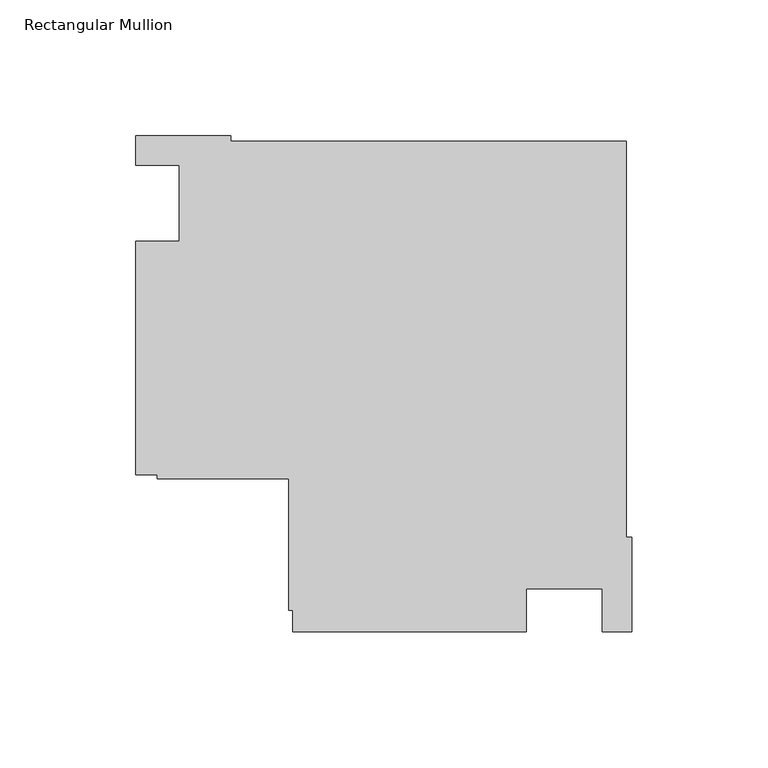
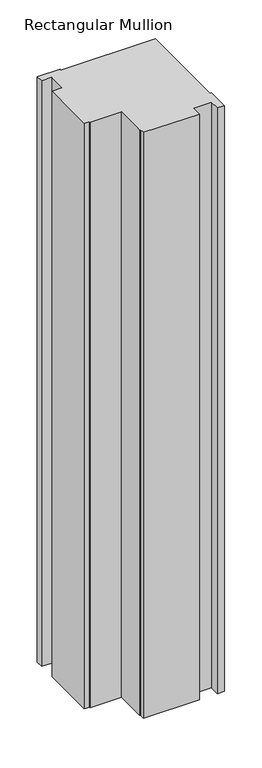
"""IFC4 building model written with IfcOpenShell, lengths in millimetres: member geometry, Rectangular Mullion."""

from ifc_helpers import new_model, si_unit, frame, origin, place, context, project, spatial, polyline, outline, extrude, source, transform, mapped, element, save


def rectangular_mullion_0d618c62(model_context):
    return source(origin(), model_context, "Body", "SweptSolid", [
        extrude(outline(polyline([(-182.9999976, -14.0008907), (-166.9999976, -14.0008907), (-166.9999976, 14.0027335), (-183.0085199, 14.0027335), (-183.0085199, 24.9989975), (-147.9999713, 24.9989975), (-147.9999713, 22.9137834), (-2.0852141, 22.9137834), (-2.0852141, -122.9999738), (0.0, -122.9999738), (0.0, -158.0000001), (-10.9999975, -158.0000001), (-10.9999975, -142.0010001), (-38.9998882, -142.0010001), (-38.9998882, -158.0000001), (-125.0, -158.0000001), (-125.0, -150.0000025), (-126.6, -150.0000025), (-126.6, -101.6000025), (-175.0, -101.6000025), (-175.0, -100.0010025), (-182.9999976, -100.0010025), (-182.9999976, -14.0008907)])), frame((0.0, 0.0, -953.6595328), z_axis=(0.0, 0.0, 1.0), x_axis=(1.0, 0.0, 0.0)), (0.0, 0.0, 1.0), 953.6595328),
    ])


if __name__ == "__main__":
    model = new_model("IFC4")
    model_context = context("Model", 3, world=origin())
    ifc_project = project(units=[si_unit("LENGTHUNIT", "METRE", prefix="MILLI")], contexts=[model_context])
    site = spatial("IfcSite", under=ifc_project)
    building = spatial("IfcBuilding", under=site)
    placement = place(None, origin())
    rectangular_mullion_shape = rectangular_mullion_0d618c62(model_context)
    element("IfcMember", 1, ObjectType="Rectangular Mullion", at=placement, inside=building, context=model_context, shape_type="MappedRepresentation", body=[
        mapped(rectangular_mullion_shape, transform((0.0, 0.0, 0.0), x_axis=(1.0, 0.0, 0.0), y_axis=(0.0, 1.0, 0.0), z_axis=(0.0, 0.0, 1.0))),
    ])
    save(model, "model.ifc")
